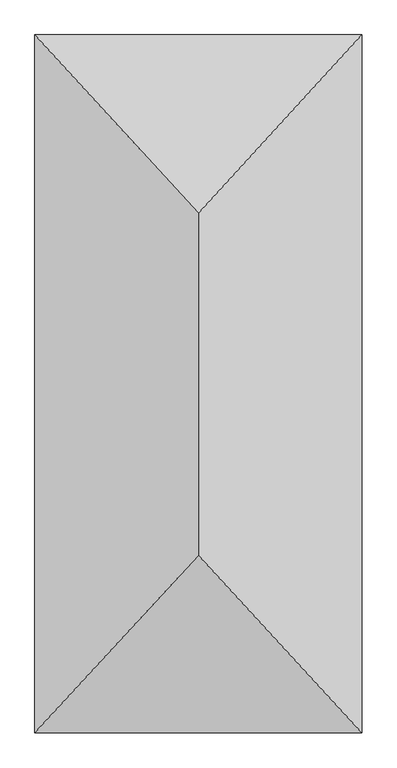
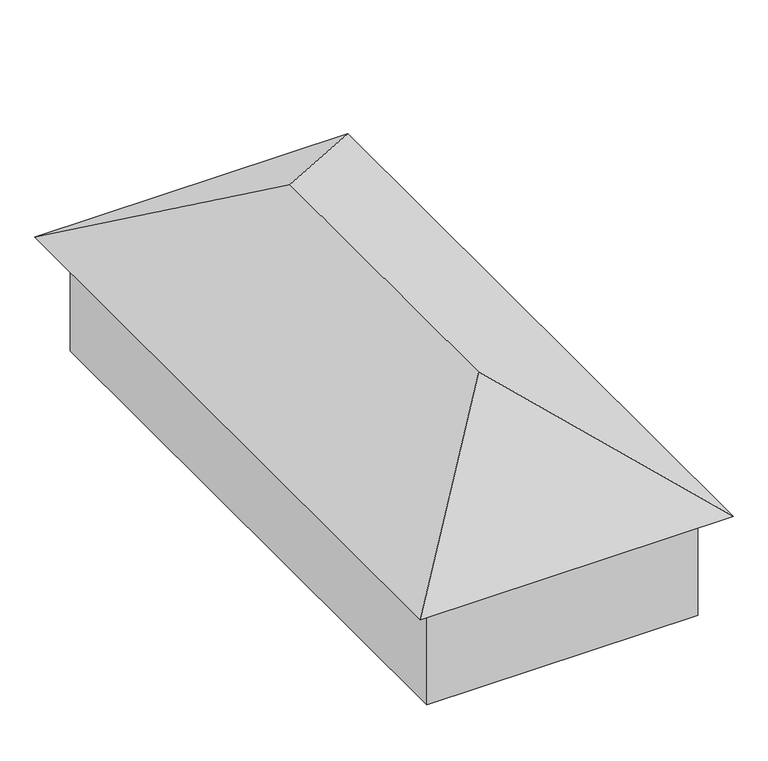
"""IFC4 building model written with IfcOpenShell, lengths in millimetres: geographic element geometry."""

from ifc_helpers import new_model, si_unit, origin, place, context, project, spatial, triangles, source, transform, mapped, element, save


def geographic_element_4895c7e3(model_context):
    return source(origin(), model_context, "Body", "Tessellation", [
        triangles([(7978.0531448, 17565.9429108, 3075.1553192), (574.3480456, 17565.9429108, 0.0), (574.3480456, 17565.9429108, 3075.1553192), (7978.0531448, 17565.9429108, 0.0), (7978.0531448, 677.7307251, 0.0), (574.3480456, 677.7307251, 3075.1553192), (574.3480456, 677.7307251, 0.0), (7978.0531448, 677.7307251, 3075.1553192), (4276.2006134, 13577.215448, 5931.9385025), (8552.4012268, 18243.6736359, 3075.1553192), (0.0, 18243.6736359, 3075.1553192), (8552.4012268, 0.0, 3075.1553192), (4276.2006134, 4636.454496, 5931.9385025), (0.0, 0.0, 3075.1553192)], [[1, 2, 3], [2, 1, 4], [5, 6, 7], [6, 5, 8], [5, 2, 4], [2, 5, 7], [6, 2, 7], [2, 6, 3], [1, 5, 4], [5, 1, 8], [6, 1, 3], [1, 6, 8], [9, 10, 11], [12, 13, 14], [12, 11, 10], [11, 12, 14], [14, 9, 11], [9, 14, 13], [9, 12, 10], [12, 9, 13]]),
    ])


if __name__ == "__main__":
    model = new_model("IFC4")
    model_context = context("Model", 3, world=origin())
    ifc_project = project(units=[si_unit("LENGTHUNIT", "METRE", prefix="MILLI")], contexts=[model_context])
    site = spatial("IfcSite", under=ifc_project)
    building = spatial("IfcBuilding", under=site)
    placement = place(None, origin())
    geographic_element_shape = geographic_element_4895c7e3(model_context)
    element("IfcGeographicElement", 1, at=placement, inside=building, context=model_context, shape_type="MappedRepresentation", body=[
        mapped(geographic_element_shape, transform((0.0, 0.0, 0.0), x_axis=(1.0, 0.0, 0.0), y_axis=(0.0, 1.0, 0.0), z_axis=(0.0, 0.0, 1.0))),
    ])
    save(model, "model.ifc")
